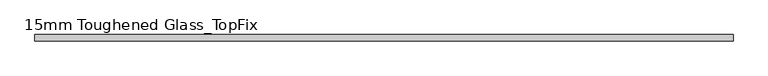
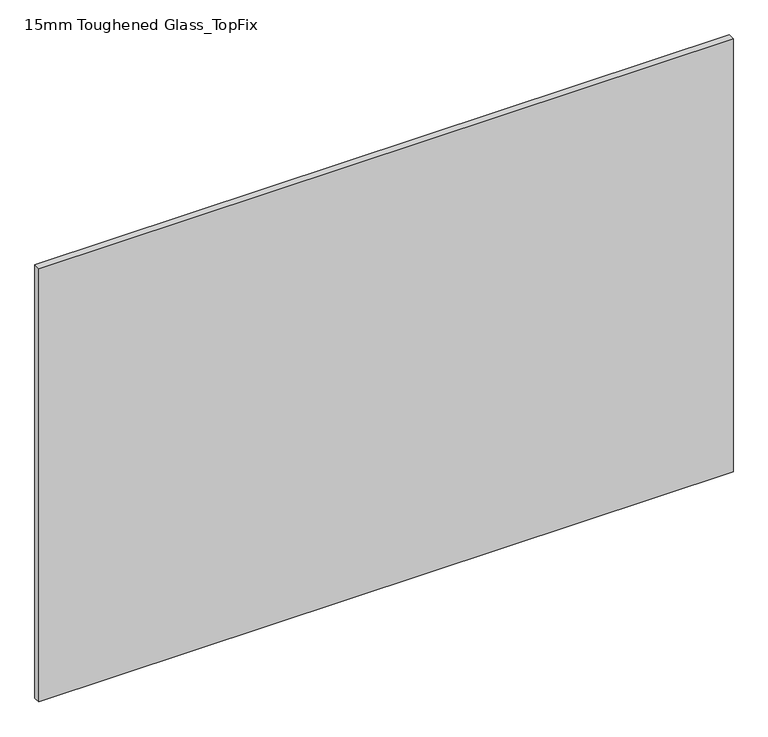
"""IFC4 building model written with IfcOpenShell, lengths in millimetres: plate geometry, 15mm Toughened Glass_TopFix."""

from ifc_helpers import new_model, si_unit, origin, origin_with_axes, place, context, project, spatial, polyline, outline, extrude, source, transform, mapped, element, save


def plate_15mm_toughened_glass_topfix_29bba353(model_context):
    return source(origin(), model_context, "Body", "SweptSolid", [
        extrude(outline(polyline([(795.0000001, 7.5), (795.0000001, -7.5), (-795.0000001, -7.5), (-795.0000001, 7.5), (795.0000001, 7.5)])), origin_with_axes(), (0.0, 0.0, 1.0), 1049.0),
    ])


if __name__ == "__main__":
    model = new_model("IFC4")
    model_context = context("Model", 3, world=origin())
    ifc_project = project(units=[si_unit("LENGTHUNIT", "METRE", prefix="MILLI")], contexts=[model_context])
    site = spatial("IfcSite", under=ifc_project)
    building = spatial("IfcBuilding", under=site)
    placement = place(None, origin())
    plate_15mm_toughened_glass_topfix_shape = plate_15mm_toughened_glass_topfix_29bba353(model_context)
    element("IfcPlate", 1, ObjectType="15mm Toughened Glass_TopFix", at=placement, inside=building, context=model_context, shape_type="MappedRepresentation", body=[
        mapped(plate_15mm_toughened_glass_topfix_shape, transform((0.0, 0.0, 0.0), x_axis=(1.0, 0.0, 0.0), y_axis=(0.0, 1.0, 0.0), z_axis=(0.0, 0.0, 1.0))),
    ])
    save(model, "model.ifc")
